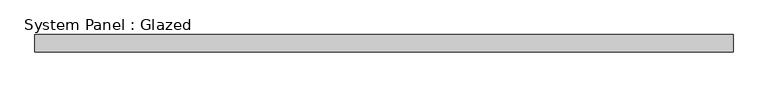
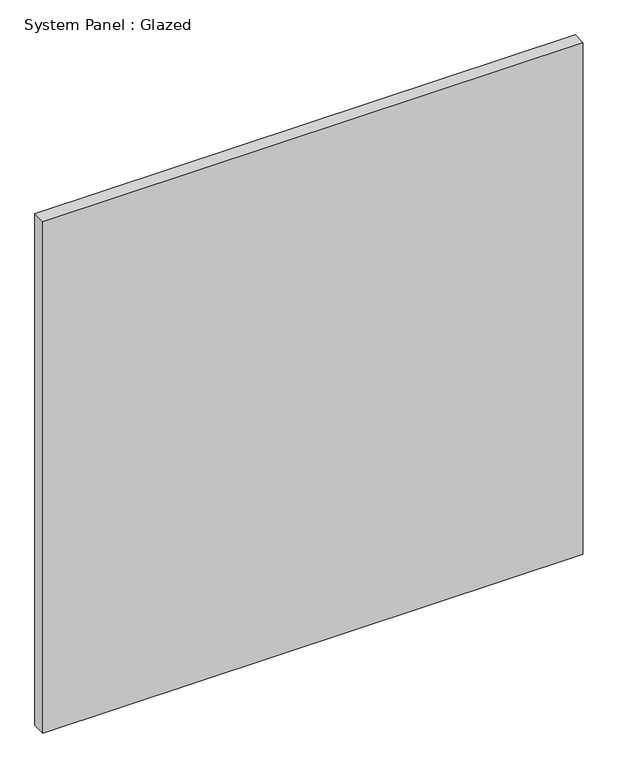
"""IFC4 building model written with IfcOpenShell, lengths in millimetres: plate geometry, System Panel : Glazed."""

from ifc_helpers import new_model, si_unit, origin, origin_with_axes, place, context, project, spatial, polyline, outline, extrude, source, transform, mapped, element, save


def system_panel_glazed_ad07f6b2(model_context):
    return source(origin(), model_context, "Body", "SweptSolid", [
        extrude(outline(polyline([(508.0, -12.7), (-508.0, -12.7), (-508.0, 12.7), (508.0, 12.7), (508.0, -12.7)])), origin_with_axes(), (0.0, 0.0, 1.0), 1016.0),
    ])


if __name__ == "__main__":
    model = new_model("IFC4")
    model_context = context("Model", 3, world=origin())
    ifc_project = project(units=[si_unit("LENGTHUNIT", "METRE", prefix="MILLI")], contexts=[model_context])
    site = spatial("IfcSite", under=ifc_project)
    building = spatial("IfcBuilding", under=site)
    placement = place(None, origin())
    system_panel_glazed_shape = system_panel_glazed_ad07f6b2(model_context)
    element("IfcPlate", 1, ObjectType="System Panel : Glazed", at=placement, inside=building, context=model_context, shape_type="MappedRepresentation", body=[
        mapped(system_panel_glazed_shape, transform((0.0, 0.0, 0.0), x_axis=(1.0, 0.0, 0.0), y_axis=(0.0, 1.0, 0.0), z_axis=(0.0, 0.0, 1.0))),
    ])
    save(model, "model.ifc")
